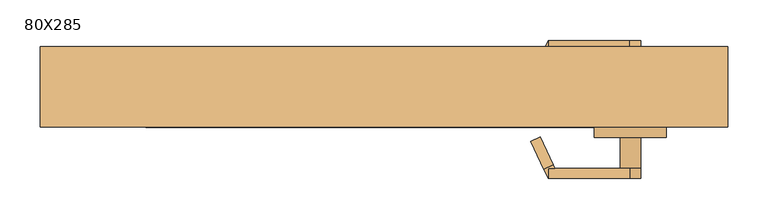
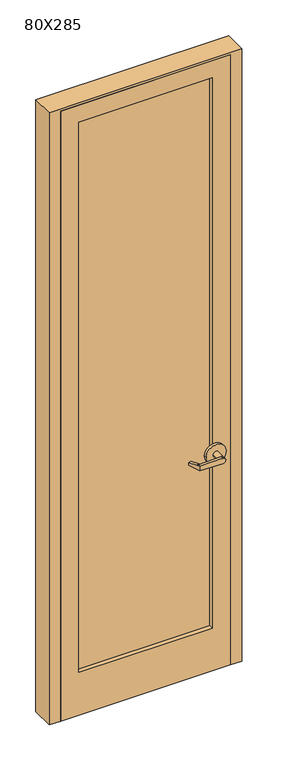
"""IFC4 building model written with IfcOpenShell, lengths in millimetres: door geometry, 80X285."""

import ifcopenshell
import ifcopenshell.guid

model = None  # the IFC model being written
_history = None  # IfcOwnerHistory: only IFC2X3 demands one
_inside = {}  # id of a spatial element -> (the spatial element, [elements in it])
_under = {}  # id of a project, library or spatial element -> (it, [spatial elements below it])
_declared = {}  # id of a project -> (the project, [libraries it declares])
_typed = {}  # id of a type object -> (the type object, [elements of that type])
_made_of = {}  # id of a material, layer set ... -> (it, [elements and type objects made of it])


def new_model(schema):
    """Start an empty IFC model of exactly this schema.

    Asked for "IFC4X3", IfcOpenShell would pick the latest addendum, in which some entities
    have other attributes; the version numbers below select the first issue.
    IFC2X3 requires an IfcOwnerHistory on every rooted entity: one is made here for all.
    """
    global model, _history
    if schema == "IFC4X3":
        model = ifcopenshell.file(schema_version=(4, 3, 0, 0))
    else:
        model = ifcopenshell.file(schema=schema)
    _inside.clear()
    _under.clear()
    _declared.clear()
    _typed.clear()
    _made_of.clear()
    _history = None
    if model.schema == "IFC2X3":
        org = make("IfcOrganization", Name="unknown")
        user = make(
            "IfcPersonAndOrganization",
            ThePerson=make("IfcPerson", FamilyName="unknown"),
            TheOrganization=org,
        )
        app = make(
            "IfcApplication",
            ApplicationDeveloper=org,
            Version="unknown",
            ApplicationFullName="unknown",
            ApplicationIdentifier="unknown",
        )
        _history = make(
            "IfcOwnerHistory",
            OwningUser=user,
            OwningApplication=app,
            ChangeAction="ADDED",
            CreationDate=0,
        )
    return model


def make(cls, **values):
    """One entity of the class cls with the attributes given. An attribute that is None is left unset."""
    return model.create_entity(
        cls, **{name: value for name, value in values.items() if value is not None}
    )


def rooted(cls, **values):
    """An entity with a GlobalId (a new one), such as an element, a storey or a relation."""
    return make(cls, GlobalId=ifcopenshell.guid.new(), OwnerHistory=_history, **values)


def si_unit(unit_type, name, prefix=None):
    """IfcSIUnit, for example si_unit("LENGTHUNIT", "METRE", prefix="MILLI")."""
    return make("IfcSIUnit", UnitType=unit_type, Prefix=prefix, Name=name)


def assignment(units):
    """IfcUnitAssignment: the units of a project."""
    return None if units is None else make("IfcUnitAssignment", Units=units)


def point(xyz):
    """IfcCartesianPoint."""
    return None if xyz is None else make("IfcCartesianPoint", Coordinates=xyz)


def direction(xyz):
    """IfcDirection."""
    return None if xyz is None else make("IfcDirection", DirectionRatios=xyz)


def frame(location, z_axis=None, x_axis=None):
    """IfcAxis2Placement3D, a coordinate frame: its origin and axes. An axis left out is left unset."""
    return make(
        "IfcAxis2Placement3D",
        Location=point(location),
        Axis=direction(z_axis),
        RefDirection=direction(x_axis),
    )


def origin():
    """The frame at (0, 0, 0) with its axes left unset."""
    return frame((0.0, 0.0, 0.0))


def place(relative_to, where):
    """IfcLocalPlacement: puts the frame where relative to a parent placement (None: the world)."""
    return make(
        "IfcLocalPlacement", PlacementRelTo=relative_to, RelativePlacement=where
    )


def context(
    kind, dimensions, precision=None, world=None, true_north=None, identifier=None
):
    """IfcGeometricRepresentationContext, for example the 3D "Model" context."""
    return make(
        "IfcGeometricRepresentationContext",
        ContextIdentifier=identifier,
        ContextType=kind,
        CoordinateSpaceDimension=dimensions,
        Precision=precision,
        WorldCoordinateSystem=world,
        TrueNorth=true_north,
    )


def project(units=None, contexts=None):
    """IfcProject with its units and contexts."""
    return rooted(
        "IfcProject",
        Name="project",
        RepresentationContexts=contexts,
        UnitsInContext=assignment(units),
    )


def spatial(cls, under=None, at=None, **own):
    """A site, building, storey or space (cls), placed at a placement, below another one or the project."""
    s = rooted(cls, ObjectPlacement=at, **own)
    if under is not None:
        _under.setdefault(under.id(), (under, []))[1].append(s)
    return s


def polyline(points):
    """IfcPolyline through the points."""
    return make("IfcPolyline", Points=[point(p) for p in points])


def circle_curve(where, radius):
    """IfcCircle in the frame where."""
    return make("IfcCircle", Position=where, Radius=radius)


def outline(outer, holes=None, kind="AREA"):
    """IfcArbitraryClosedProfileDef: a profile drawn as a closed curve; with holes, ...WithVoids."""
    if holes is None:
        return make("IfcArbitraryClosedProfileDef", ProfileType=kind, OuterCurve=outer)
    return make(
        "IfcArbitraryProfileDefWithVoids",
        ProfileType=kind,
        OuterCurve=outer,
        InnerCurves=holes,
    )


def extrude(swept, where, along, depth):
    """IfcExtrudedAreaSolid: the profile swept, set in the frame where, extruded along a direction by depth."""
    return make(
        "IfcExtrudedAreaSolid",
        SweptArea=swept,
        Position=where,
        ExtrudedDirection=direction(along),
        Depth=depth,
    )


def faces_of(points, faces, orient=None, outer=None):
    """IfcFace entities. A face is a list of loops; a loop is a list of indices into points, from 0.

    orient and outer hold one flag for each loop. By default every Orientation is true, the
    first loop of a face is its IfcFaceOuterBound and the others are IfcFaceBound.
    """
    made = []
    for i, loops in enumerate(faces):
        bounds = []
        for j, loop in enumerate(loops):
            is_outer = j == 0 if outer is None else outer[i][j]
            bounds.append(
                make(
                    "IfcFaceOuterBound" if is_outer else "IfcFaceBound",
                    Bound=make("IfcPolyLoop", Polygon=[points[k] for k in loop]),
                    Orientation=True if orient is None else orient[i][j],
                )
            )
        made.append(make("IfcFace", Bounds=bounds))
    return made


def faceted_brep(points, faces, orient=None, outer=None, voids=None):
    """IfcFacetedBrep: a solid bounded by flat faces; with voids (closed shells), ...WithVoids."""
    shared = [point(p) for p in points]
    hull = make("IfcClosedShell", CfsFaces=faces_of(shared, faces, orient, outer))
    if voids is None:
        return make("IfcFacetedBrep", Outer=hull)
    return make(
        "IfcFacetedBrepWithVoids",
        Outer=hull,
        Voids=[
            make(cls, CfsFaces=faces_of(shared, fs, o, b)) for cls, fs, o, b in voids
        ],
    )


def shape(context_of_items, identifier, shape_type, items):
    """IfcShapeRepresentation: the items that make up one representation, for example the "Body"."""
    return make(
        "IfcShapeRepresentation",
        ContextOfItems=context_of_items,
        RepresentationIdentifier=identifier,
        RepresentationType=shape_type,
        Items=items,
    )


def source(mapping_origin, context_of_items, identifier, shape_type, items):
    """IfcRepresentationMap: a shape defined once, which mapped items show again and again."""
    return make(
        "IfcRepresentationMap",
        MappingOrigin=mapping_origin,
        MappedRepresentation=shape(context_of_items, identifier, shape_type, items),
    )


def transform(
    local_origin,
    x_axis=None,
    y_axis=None,
    z_axis=None,
    scale=None,
    scale2=None,
    scale3=None,
    uniform=True,
):
    """IfcCartesianTransformationOperator3D, or its non-uniform kind. x_axis, y_axis, z_axis: its Axis1, 2, 3."""
    if uniform:
        return make(
            "IfcCartesianTransformationOperator3D",
            Axis1=direction(x_axis),
            Axis2=direction(y_axis),
            LocalOrigin=point(local_origin),
            Scale=scale,
            Axis3=direction(z_axis),
        )
    return make(
        "IfcCartesianTransformationOperator3DnonUniform",
        Axis1=direction(x_axis),
        Axis2=direction(y_axis),
        LocalOrigin=point(local_origin),
        Scale=scale,
        Axis3=direction(z_axis),
        Scale2=scale2,
        Scale3=scale3,
    )


def mapped(mapping_source, mapping_target):
    """IfcMappedItem: shows the shape of a source again, moved by a transform."""
    return make(
        "IfcMappedItem", MappingSource=mapping_source, MappingTarget=mapping_target
    )


def made_of(thing, what):
    """Note that an element or type object is made of a material, layer set ...; save() writes the relation."""
    if what is not None:
        _made_of.setdefault(what.id(), (what, []))[1].append(thing)
    return thing


def element(
    cls,
    number,
    at=None,
    inside=None,
    cuts=None,
    type_object=None,
    material=None,
    context=None,
    identifier="Body",
    shape_type=None,
    held_by="IfcProductDefinitionShape",
    body=None,
    shapes=None,
    **own,
):
    """One element of the class cls, such as IfcWall. Its Tag is "e" and its number.

    at: its placement. inside: the storey or other place that contains it. cuts: it is an
    opening in that element (IfcRelVoidsElement). A single representation is given by context,
    identifier, shape_type and body (its items); several are given by shapes. held_by: the class
    of the entity that holds the representations. save() writes the other relations.
    """
    e = rooted(cls, Tag="e%d" % number, ObjectPlacement=at, **own)
    if body is not None:
        shapes = [shape(context, identifier, shape_type, body)]
    if shapes is not None:
        e.Representation = make(held_by, Representations=shapes)
    if inside is not None:
        _inside.setdefault(inside.id(), (inside, []))[1].append(e)
    if cuts is not None:
        rooted(
            "IfcRelVoidsElement", RelatingBuildingElement=cuts, RelatedOpeningElement=e
        )
    if type_object is not None:
        _typed.setdefault(type_object.id(), (type_object, []))[1].append(e)
    return made_of(e, material)


def aggregate(whole, parts):
    """IfcRelAggregates: a whole, such as a stair, and the parts it consists of."""
    return rooted("IfcRelAggregates", RelatingObject=whole, RelatedObjects=parts)


def save(model, path):
    """Write the relations noted so far, then the file.

    IfcRelAggregates (storeys below a building ...), IfcRelContainedInSpatialStructure (elements
    in a storey), IfcRelDefinesByType, IfcRelAssociatesMaterial and IfcRelDeclares: one each for
    every whole, place, type object, material and project.
    """
    for whole, parts in _under.values():
        aggregate(whole, parts)
    for where, things in _inside.values():
        rooted(
            "IfcRelContainedInSpatialStructure",
            RelatedElements=things,
            RelatingStructure=where,
        )
    for kind, things in _typed.values():
        rooted("IfcRelDefinesByType", RelatedObjects=things, RelatingType=kind)
    for what, things in _made_of.values():
        rooted("IfcRelAssociatesMaterial", RelatedObjects=things, RelatingMaterial=what)
    for by, libraries in _declared.values():
        rooted("IfcRelDeclares", RelatingContext=by, RelatedDefinitions=libraries)
    model.write(path)


def plane_surface(at):
    """IfcPlane: the flat surface through the origin of the frame at, square to its z axis."""
    return make("IfcPlane", Position=at)


def cylinder_surface(at, radius):
    """IfcCylindricalSurface: all points at the distance radius from the z axis of the frame at."""
    return make("IfcCylindricalSurface", Position=at, Radius=radius)


def advanced_brep(points, edges, surfaces, faces):
    """IfcAdvancedBrep: a solid bounded by faces that lie on surfaces and meet in shared edges.

    An edge is (start, end): straight between two places in points (the first is 0);
    or (start, end, curve); or (start, end, curve, False) where it runs against its curve.
    A face is (place in surfaces, loops), or (place, loops, False) where it looks against
    its surface's normal. A loop lists edges by number (the first is 1), with a minus sign
    where the edge is run from its end to its start. The first loop is the outer one.
    """
    corners = [point(p) for p in points]
    vertices = [make("IfcVertexPoint", VertexGeometry=c) for c in corners]
    made = []
    for start, end, *more in edges:
        made.append(
            make(
                "IfcEdgeCurve",
                EdgeStart=vertices[start],
                EdgeEnd=vertices[end],
                EdgeGeometry=more[0] if more else make("IfcPolyline", Points=[corners[start], corners[end]]),
                SameSense=more[1] if len(more) > 1 else True,
            )
        )
    hull = []
    for where, loops, *sense in faces:
        bounds = []
        for j, loop in enumerate(loops):
            ring = [make("IfcOrientedEdge", EdgeElement=made[abs(k) - 1], Orientation=k > 0) for k in loop]
            bounds.append(
                make(
                    "IfcFaceOuterBound" if j == 0 else "IfcFaceBound",
                    Bound=make("IfcEdgeLoop", EdgeList=ring),
                    Orientation=True,
                )
            )
        hull.append(make("IfcAdvancedFace", Bounds=bounds, FaceSurface=surfaces[where], SameSense=sense[0] if sense else True))
    return make("IfcAdvancedBrep", Outer=make("IfcClosedShell", CfsFaces=hull))


def door_80x285_13d53432(model_context):
    return source(origin(), model_context, "Body", "SolidModel", [
        advanced_brep(
        [(209.692857, 41.0726392, 1006.475), (211.6407923, 45.25, 1006.475), (211.6407923, 45.25, 1025.525), (209.692857, 41.0726392, 1025.525), (193.5911012, 6.5423125, 1022.35), (193.5911012, 6.5423125, 1009.65), (203.55, 57.95, 1025.525), (203.55, 57.95, 1006.475), (198.1827481, 46.4398911, 1006.475), (182.0809923, 11.9095644, 1009.65), (182.0809923, 11.9095644, 1022.35), (198.1827481, 46.4398911, 1025.525), (203.55, 45.25, 1006.475), (203.55, 45.25, 1025.525), (304.7525418, 57.95, 1028.6937791), (304.7525418, 57.95, 1003.3062209), (304.7525418, 45.25, 1003.3062209), (292.45, 45.25, 1016.0), (304.7525418, 45.25, 1028.6937791), (317.85, 45.25, 1016.0), (292.45, 7.15, 1016.0), (317.85, 7.15, 1016.0), (349.6, 7.15, 1016.0), (260.7, 7.15, 1016.0), (349.6, -5.55, 1016.0), (260.7, -5.55, 1016.0)],
        [
            (0, 1),
            (1, 2),
            (2, 3),
            (3, 4),
            (4, 5),
            (5, 0),
            (6, 7),
            (7, 8),
            (8, 9),
            (9, 10),
            (10, 11),
            (11, 6),
            (7, 12),
            (12, 1),
            (0, 8),
            (5, 9),
            (4, 10),
            (3, 11),
            (2, 13),
            (13, 6),
            (6, 14),
            (14, 15, circle_curve(frame((305.15, 57.95, 1016.0), z_axis=(0.0, 1.0, 0.0), x_axis=(-1.0, 0.0, 0.0)), 12.7)),
            (15, 7),
            (12, 16),
            (16, 17, circle_curve(frame((305.15, 45.25, 1016.0), z_axis=(0.0, 1.0, 0.0), x_axis=(-1.0, 0.0, 0.0)), 12.7)),
            (17, 18, circle_curve(frame((305.15, 45.25, 1016.0), z_axis=(0.0, 1.0, 0.0), x_axis=(-1.0, 0.0, 0.0)), 12.7)),
            (18, 13),
            (15, 16),
            (14, 18),
            (18, 19, circle_curve(frame((305.15, 45.25, 1016.0), z_axis=(0.0, 1.0, 0.0), x_axis=(-1.0, 0.0, 0.0)), 12.7)),
            (19, 16, circle_curve(frame((305.15, 45.25, 1016.0), z_axis=(0.0, 1.0, 0.0), x_axis=(-1.0, 0.0, 0.0)), 12.7)),
            (17, 20),
            (20, 21, circle_curve(frame((305.15, 7.15, 1016.0), z_axis=(0.0, 1.0, 0.0), x_axis=(-1.0, 0.0, 0.0)), 12.7)),
            (21, 19),
            (21, 20, circle_curve(frame((305.15, 7.15, 1016.0), z_axis=(0.0, 1.0, 0.0), x_axis=(-1.0, 0.0, 0.0)), 12.7)),
            (22, 23, circle_curve(frame((305.15, 7.15, 1016.0), z_axis=(0.0, 1.0, 0.0), x_axis=(-1.0, 0.0, 0.0)), 44.45)),
            (23, 22, circle_curve(frame((305.15, 7.15, 1016.0), z_axis=(0.0, 1.0, 0.0), x_axis=(-1.0, 0.0, 0.0)), 44.45)),
            (24, 25, circle_curve(frame((305.15, -5.55, 1016.0), z_axis=(0.0, -1.0, 0.0), x_axis=(-1.0, 0.0, 0.0)), 44.45)),
            (25, 24, circle_curve(frame((305.15, -5.55, 1016.0), z_axis=(0.0, -1.0, 0.0), x_axis=(-1.0, 0.0, 0.0)), 44.45)),
            (23, 25),
            (24, 22),
        ],
        [
            plane_surface(frame((215.0601089, 52.5827481, 1006.475), z_axis=(0.9063077870366494, -0.4226182617407007, 0.0), x_axis=(0.0, 0.0, -1.0))),
            plane_surface(frame((203.55, 57.95, 1006.475), z_axis=(-0.9063077870366494, 0.4226182617407007, 0.0), x_axis=(0.0, 0.0, 1.0))),
            plane_surface(frame((215.0601089, 52.5827481, 1006.475), z_axis=(0.0, 0.0, -1.0000000000000002), x_axis=(-0.9063077870366494, 0.42261826174070094, 0.0))),
            plane_surface(frame((209.692857, 41.0726392, 1006.475), z_axis=(-0.035096536341209586, -0.07526476506963879, -0.9965457582448799), x_axis=(-0.9063077870366494, 0.42261826174070094, 0.0))),
            plane_surface(frame((193.5911012, 6.5423125, 1009.65), z_axis=(-0.42261826174070094, -0.9063077870366494, 0.0), x_axis=(-0.9063077870366494, 0.42261826174070094, 0.0))),
            plane_surface(frame((193.5911012, 6.5423125, 1022.35), z_axis=(-0.03509653634121044, -0.07526476506964089, 0.9965457582448796), x_axis=(-0.9063077870366495, 0.42261826174070033, 0.0))),
            plane_surface(frame((209.692857, 41.0726392, 1025.525), z_axis=(0.0, 0.0, 1.0000000000000002), x_axis=(-0.9063077870366494, 0.42261826174070094, 0.0))),
            plane_surface(frame((203.55, 57.95, 1006.475), z_axis=(0.0, 1.0, 0.0), x_axis=(0.9995101626549141, 0.0, -0.03129592225110647))),
            plane_surface(frame((203.55, 45.25, 1006.475), z_axis=(0.0, -1.0, 0.0), x_axis=(-0.9995101626549141, 0.0, 0.03129592225110647))),
            plane_surface(frame((203.55, 57.95, 1006.475), z_axis=(-0.03129592225110647, 0.0, -0.9995101626549141), x_axis=(0.0, -1.0, 0.0))),
            cylinder_surface(frame((305.15, 45.25, 1016.0), z_axis=(0.0, 1.0, 0.0), x_axis=(-1.0, 0.0, 0.0)), 12.7),
            plane_surface(frame((304.7525418, 57.95, 1028.6937791), z_axis=(-0.03129592225110282, 0.0, 0.9995101626549142), x_axis=(0.0, -1.0, 0.0))),
            cylinder_surface(frame((305.15, 7.15, 1016.0), z_axis=(0.0, 1.0, 0.0), x_axis=(-1.0, 0.0, 0.0)), 12.7),
            plane_surface(frame((260.7, 7.15, 1016.0), z_axis=(0.0, 1.0, 0.0), x_axis=(0.0, 0.0, -1.0))),
            plane_surface(frame((260.7, -5.55, 1016.0), z_axis=(0.0, -1.0, 0.0), x_axis=(0.0, 0.0, 1.0))),
            cylinder_surface(frame((305.15, -5.55, 1016.0), z_axis=(0.0, 1.0, 0.0), x_axis=(-1.0, 0.0, 0.0)), 44.45),
        ],
        [
            (0, [[1, 2, 3, 4, 5, 6]]),
            (1, [[7, 8, 9, 10, 11, 12]]),
            (2, [[13, 14, -1, 15, -8]]),
            (3, [[16, -9, -15, -6]]),
            (4, [[17, -10, -16, -5]]),
            (5, [[18, -11, -17, -4]]),
            (6, [[-18, -3, 19, 20, -12]]),
            (7, [[-7, 21, 22, 23]]),
            (8, [[-19, -2, -14, 24, 25, 26, 27]]),
            (9, [[28, -24, -13, -23]]),
            (10, [[29, 30, 31, -28, -22]]),
            (11, [[-20, -27, -29, -21]]),
            (12, [[-30, -26, 32, 33, 34]]),
            (12, [[35, -32, -25, -31, -34]]),
            (13, [[36, 37], [-35, -33]]),
            (14, [[38, 39]]),
            (15, [[40, -38, 41, -37]]),
            (15, [[-41, -39, -40, -36]]),
        ],
    ),
        advanced_brep(
        [(209.692857, -96.6226392, 1025.525), (211.6407923, -100.8, 1025.525), (211.6407923, -100.8, 1006.475), (209.692857, -96.6226392, 1006.475), (193.5911012, -62.0923125, 1009.65), (193.5911012, -62.0923125, 1022.35), (203.55, -113.5, 1006.475), (203.55, -113.5, 1025.525), (198.1827481, -101.9898911, 1025.525), (182.0809923, -67.4595644, 1022.35), (182.0809923, -67.4595644, 1009.65), (198.1827481, -101.9898911, 1006.475), (203.55, -100.8, 1025.525), (203.55, -100.8, 1006.475), (304.7525418, -113.5, 1003.3062209), (304.7525418, -113.5, 1028.6937791), (304.7525418, -100.8, 1028.6937791), (292.45, -100.8, 1016.0), (304.7525418, -100.8, 1003.3062209), (317.85, -100.8, 1016.0), (292.45, -62.7, 1016.0), (317.85, -62.7, 1016.0), (349.6, -62.7, 1016.0), (260.7, -62.7, 1016.0), (349.6, -50.0, 1016.0), (260.7, -50.0, 1016.0)],
        [
            (0, 1),
            (1, 2),
            (2, 3),
            (3, 4),
            (4, 5),
            (5, 0),
            (6, 7),
            (7, 8),
            (8, 9),
            (9, 10),
            (10, 11),
            (11, 6),
            (7, 12),
            (12, 1),
            (0, 8),
            (5, 9),
            (4, 10),
            (3, 11),
            (2, 13),
            (13, 6),
            (6, 14),
            (14, 15, circle_curve(frame((305.15, -113.5, 1016.0), z_axis=(0.0, -1.0, 0.0), x_axis=(-1.0, 0.0, 0.0)), 12.7)),
            (15, 7),
            (12, 16),
            (16, 17, circle_curve(frame((305.15, -100.8, 1016.0), z_axis=(0.0, -1.0, 0.0), x_axis=(-1.0, 0.0, 0.0)), 12.7)),
            (17, 18, circle_curve(frame((305.15, -100.8, 1016.0), z_axis=(0.0, -1.0, 0.0), x_axis=(-1.0, 0.0, 0.0)), 12.7)),
            (18, 13),
            (15, 16),
            (14, 18),
            (18, 19, circle_curve(frame((305.15, -100.8, 1016.0), z_axis=(0.0, -1.0, 0.0), x_axis=(-1.0, 0.0, 0.0)), 12.7)),
            (19, 16, circle_curve(frame((305.15, -100.8, 1016.0), z_axis=(0.0, -1.0, 0.0), x_axis=(-1.0, 0.0, 0.0)), 12.7)),
            (17, 20),
            (20, 21, circle_curve(frame((305.15, -62.7, 1016.0), z_axis=(0.0, -1.0, 0.0), x_axis=(-1.0, 0.0, 0.0)), 12.7)),
            (21, 19),
            (21, 20, circle_curve(frame((305.15, -62.7, 1016.0), z_axis=(0.0, -1.0, 0.0), x_axis=(-1.0, 0.0, 0.0)), 12.7)),
            (22, 23, circle_curve(frame((305.15, -62.7, 1016.0), z_axis=(0.0, -1.0, 0.0), x_axis=(-1.0, 0.0, 0.0)), 44.45)),
            (23, 22, circle_curve(frame((305.15, -62.7, 1016.0), z_axis=(0.0, -1.0, 0.0), x_axis=(-1.0, 0.0, 0.0)), 44.45)),
            (24, 25, circle_curve(frame((305.15, -50.0, 1016.0), z_axis=(0.0, 1.0, 0.0), x_axis=(-1.0, 0.0, 0.0)), 44.45)),
            (25, 24, circle_curve(frame((305.15, -50.0, 1016.0), z_axis=(0.0, 1.0, 0.0), x_axis=(-1.0, 0.0, 0.0)), 44.45)),
            (23, 25),
            (24, 22),
        ],
        [
            plane_surface(frame((215.0601089, -108.1327481, 1025.525), z_axis=(0.9063077870366494, 0.4226182617407007, 0.0), x_axis=(0.0, 0.0, 1.0))),
            plane_surface(frame((203.55, -113.5, 1025.525), z_axis=(-0.9063077870366494, -0.4226182617407007, 0.0), x_axis=(0.0, 0.0, -1.0))),
            plane_surface(frame((215.0601089, -108.1327481, 1025.525), z_axis=(0.0, 0.0, 1.0000000000000002), x_axis=(-0.9063077870366494, -0.42261826174070094, 0.0))),
            plane_surface(frame((209.692857, -96.6226392, 1025.525), z_axis=(-0.03509653634120952, 0.07526476506963879, 0.9965457582448799), x_axis=(-0.9063077870366494, -0.42261826174070094, 0.0))),
            plane_surface(frame((193.5911012, -62.0923125, 1022.35), z_axis=(-0.42261826174070094, 0.9063077870366494, 0.0), x_axis=(-0.9063077870366494, -0.42261826174070094, 0.0))),
            plane_surface(frame((193.5911012, -62.0923125, 1009.65), z_axis=(-0.03509653634121051, 0.07526476506964089, -0.9965457582448796), x_axis=(-0.9063077870366495, -0.42261826174070033, 0.0))),
            plane_surface(frame((209.692857, -96.6226392, 1006.475), z_axis=(0.0, 0.0, -1.0000000000000002), x_axis=(-0.9063077870366494, -0.42261826174070094, 0.0))),
            plane_surface(frame((203.55, -113.5, 1025.525), z_axis=(0.0, -1.0, 0.0), x_axis=(0.9995101626549141, 0.0, 0.0312959222511064))),
            plane_surface(frame((203.55, -100.8, 1025.525), z_axis=(0.0, 1.0, 0.0), x_axis=(-0.9995101626549141, 0.0, -0.0312959222511064))),
            plane_surface(frame((203.55, -113.5, 1025.525), z_axis=(-0.0312959222511064, 0.0, 0.9995101626549141), x_axis=(0.0, 1.0, 0.0))),
            cylinder_surface(frame((305.15, -100.8, 1016.0), z_axis=(0.0, -1.0, 0.0), x_axis=(-1.0, 0.0, 0.0)), 12.7),
            plane_surface(frame((304.7525418, -113.5, 1003.3062209), z_axis=(-0.03129592225110289, 0.0, -0.9995101626549142), x_axis=(0.0, 1.0, 0.0))),
            cylinder_surface(frame((305.15, -62.7, 1016.0), z_axis=(0.0, -1.0, 0.0), x_axis=(-1.0, 0.0, 0.0)), 12.7),
            plane_surface(frame((260.7, -62.7, 1016.0), z_axis=(0.0, -1.0, 0.0), x_axis=(0.0, 0.0, 1.0))),
            plane_surface(frame((260.7, -50.0, 1016.0), z_axis=(0.0, 1.0, 0.0), x_axis=(0.0, 0.0, -1.0))),
            cylinder_surface(frame((305.15, -50.0, 1016.0), z_axis=(0.0, -1.0, 0.0), x_axis=(-1.0, 0.0, 0.0)), 44.45),
        ],
        [
            (0, [[1, 2, 3, 4, 5, 6]]),
            (1, [[7, 8, 9, 10, 11, 12]]),
            (2, [[13, 14, -1, 15, -8]]),
            (3, [[16, -9, -15, -6]]),
            (4, [[17, -10, -16, -5]]),
            (5, [[18, -11, -17, -4]]),
            (6, [[-18, -3, 19, 20, -12]]),
            (7, [[-7, 21, 22, 23]]),
            (8, [[-19, -2, -14, 24, 25, 26, 27]]),
            (9, [[28, -24, -13, -23]]),
            (10, [[29, 30, 31, -28, -22]]),
            (11, [[-20, -27, -29, -21]]),
            (12, [[-30, -26, 32, 33, 34]]),
            (12, [[35, -32, -25, -31, -34]]),
            (13, [[36, 37], [-35, -33]]),
            (14, [[38, 39]]),
            (15, [[40, -38, 41, -37]]),
            (15, [[-41, -39, -40, -36]]),
        ],
    ),
        extrude(outline(polyline([(-295.0, -30.95), (-295.0, -24.6), (295.0, -24.6), (295.0, -30.95), (-295.0, -30.95)])), frame((0.0, 0.0, 200.0), z_axis=(0.0, 0.0, 1.0), x_axis=(1.0, 0.0, 0.0)), (0.0, 0.0, 1.0), 2570.0),
        extrude(outline(polyline([(2850.0, -375.0), (0.0, -375.0), (0.0, 375.0), (2850.0, 375.0), (2850.0, -375.0)]), holes=[polyline([(2770.0, -295.0), (2770.0, 295.0), (200.0, 295.0), (200.0, -295.0), (2770.0, -295.0)])]), frame((0.0, -50.0, 0.0), z_axis=(0.0, 1.0, 0.0), x_axis=(0.0, 0.0, 1.0)), (0.0, 0.0, 1.0), 44.45),
        faceted_brep([(-375.0, -50.0, 0.0), (-425.8, -50.0, 0.0), (-425.8, 50.0, 0.0), (-375.0, 50.0, 0.0), (-375.0, 5.55, 0.0), (-359.125, 5.55, 0.0), (-359.125, -5.55, 0.0), (-375.0, -5.55, 0.0), (-375.0, -5.55, 2850.0), (-375.0, -50.0, 2850.0), (-359.125, -5.55, 2834.125), (359.125, -5.55, 2834.125), (359.125, -5.55, 0.0), (375.0, -5.55, 0.0), (375.0, -5.55, 2850.0), (-359.125, 5.55, 2834.125), (-375.0, 5.55, 2850.0), (375.0, 5.55, 2850.0), (375.0, 5.55, 0.0), (359.125, 5.55, 0.0), (359.125, 5.55, 2834.125), (-375.0, 50.0, 2850.0), (-425.8, 50.0, 2860.0), (425.8, 50.0, 2860.0), (425.8, 50.0, 0.0), (375.0, 50.0, 0.0), (375.0, 50.0, 2850.0), (-425.8, -50.0, 2860.0), (375.0, -50.0, 2850.0), (375.0, -50.0, 0.0), (425.8, -50.0, 0.0), (425.8, -50.0, 2860.0)], [[[0, 1, 2, 3, 4, 5, 6, 7]], [[7, 8, 9, 0]], [[6, 10, 11, 12, 13, 14, 8, 7]], [[5, 15, 10, 6]], [[4, 16, 17, 18, 19, 20, 15, 5]], [[3, 21, 16, 4]], [[2, 22, 23, 24, 25, 26, 21, 3]], [[1, 27, 22, 2]], [[0, 9, 28, 29, 30, 31, 27, 1]], [[29, 28, 14, 13]], [[29, 13, 12, 19, 18, 25, 24, 30]], [[12, 11, 20, 19]], [[17, 26, 25, 18]], [[30, 24, 23, 31]], [[14, 28, 9, 8]], [[15, 20, 11, 10]], [[21, 26, 17, 16]], [[23, 22, 27, 31]]]),
    ])


if __name__ == "__main__":
    model = new_model("IFC4")
    model_context = context("Model", 3, world=origin())
    ifc_project = project(units=[si_unit("LENGTHUNIT", "METRE", prefix="MILLI")], contexts=[model_context])
    site = spatial("IfcSite", under=ifc_project)
    building = spatial("IfcBuilding", under=site)
    placement = place(None, origin())
    door_80x285_shape = door_80x285_13d53432(model_context)
    element("IfcDoor", 1, ObjectType="80X285", at=placement, inside=building, context=model_context, shape_type="MappedRepresentation", body=[
        mapped(door_80x285_shape, transform((0.0, 0.0, 0.0), x_axis=(1.0, 0.0, 0.0), y_axis=(0.0, 1.0, 0.0), z_axis=(0.0, 0.0, 1.0))),
    ])
    save(model, "model.ifc")
